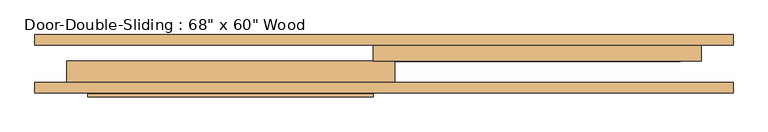
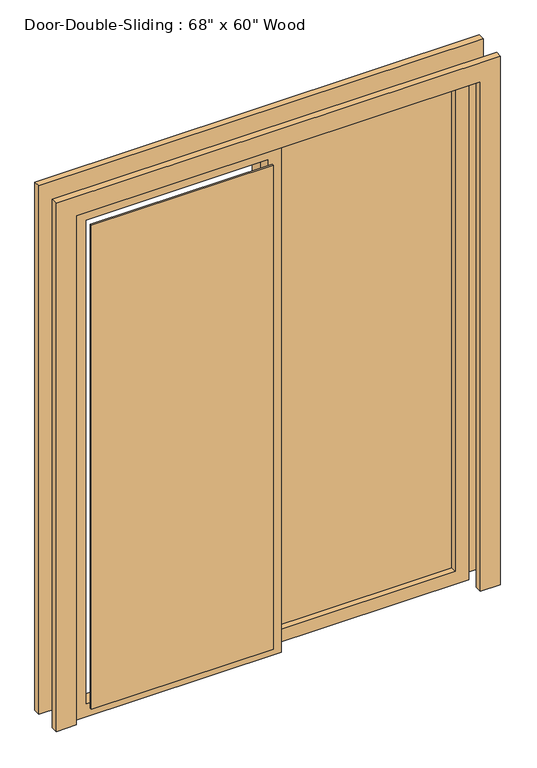
"""IFC4 building model written with IfcOpenShell, lengths in millimetres: door geometry."""

from ifc_helpers import new_model, si_unit, frame, origin, place, context, project, spatial, polyline, outline, extrude, source, transform, mapped, element, save


def door_0e0f4290(model_context):
    return source(origin(), model_context, "Body", "SweptSolid", [
        extrude(outline(polyline([(0.0, -838.2), (0.0, -762.0), (2032.0, -762.0), (2032.0, 762.0), (0.0, 762.0), (0.0, 838.2), (2108.2, 838.2), (2108.2, -838.2), (0.0, -838.2)])), frame((0.0, -82.55, 0.0), z_axis=(0.0, 1.0, 0.0), x_axis=(0.0, 0.0, 1.0)), (0.0, 0.0, 1.0), 25.4),
        extrude(outline(polyline([(0.0, 838.2), (2108.2, 838.2), (2108.2, -838.2), (0.0, -838.2), (0.0, -762.0), (2032.0, -762.0), (2032.0, 762.0), (0.0, 762.0), (0.0, 838.2)])), frame((0.0, -196.85, 0.0), z_axis=(0.0, 1.0, 0.0), x_axis=(0.0, 0.0, 1.0)), (0.0, 0.0, 1.0), 25.4),
        extrude(outline(polyline([(2032.0, -25.4), (0.0, -25.4), (0.0, 762.0), (2032.0, 762.0), (2032.0, -25.4)]), holes=[polyline([(1981.2, 25.4), (1981.2, 711.2), (50.8, 711.2), (50.8, 25.4), (1981.2, 25.4)])]), frame((0.0, -120.65, 0.0), z_axis=(0.0, 1.0, 0.0), x_axis=(0.0, 0.0, 1.0)), (0.0, 0.0, 1.0), 50.8),
        extrude(outline(polyline([(2032.0, 25.4), (2032.0, -762.0), (0.0, -762.0), (0.0, 25.4), (2032.0, 25.4)]), holes=[polyline([(1981.2, -25.4), (50.8, -25.4), (50.8, -711.2), (1981.2, -711.2), (1981.2, -25.4)])]), frame((0.0, -171.45, 0.0), z_axis=(0.0, 1.0, 0.0), x_axis=(0.0, 0.0, 1.0)), (0.0, 0.0, 1.0), 50.8),
        extrude(outline(polyline([(25.4, -98.425), (25.4, -92.075), (711.2, -92.075), (711.2, -98.425), (25.4, -98.425)])), frame((0.0, 0.0, 50.8), z_axis=(0.0, 0.0, 1.0), x_axis=(1.0, 0.0, 0.0)), (0.0, 0.0, 1.0), 1930.4),
        extrude(outline(polyline([(-25.4, -200.025), (-25.4, -206.375), (-711.2, -206.375), (-711.2, -200.025), (-25.4, -200.025)])), frame((0.0, 0.0, 50.8), z_axis=(0.0, 0.0, 1.0), x_axis=(1.0, 0.0, 0.0)), (0.0, 0.0, 1.0), 1930.4),
    ])


if __name__ == "__main__":
    model = new_model("IFC4")
    model_context = context("Model", 3, world=origin())
    ifc_project = project(units=[si_unit("LENGTHUNIT", "METRE", prefix="MILLI")], contexts=[model_context])
    site = spatial("IfcSite", under=ifc_project)
    building = spatial("IfcBuilding", under=site)
    placement = place(None, origin())
    door_shape = door_0e0f4290(model_context)
    element("IfcDoor", 1, ObjectType="Door-Double-Sliding : 68\" x 60\" Wood", at=placement, inside=building, context=model_context, shape_type="MappedRepresentation", body=[
        mapped(door_shape, transform((0.0, 0.0, 0.0), x_axis=(1.0, 0.0, 0.0), y_axis=(0.0, 1.0, 0.0), z_axis=(0.0, 0.0, 1.0))),
    ])
    save(model, "model.ifc")
